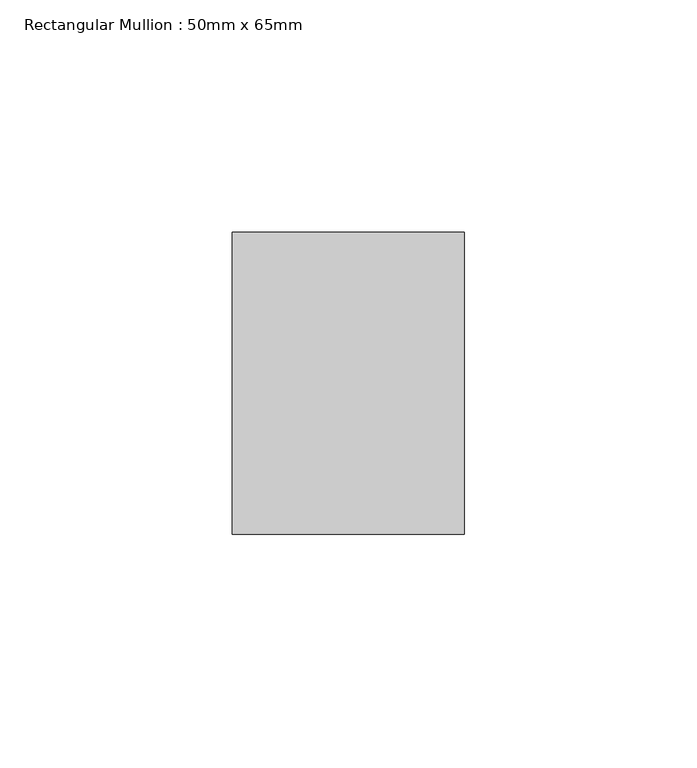
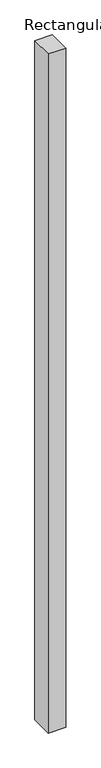
"""IFC4 building model written with IfcOpenShell, lengths in millimetres: member geometry, Rectangular Mullion : 50mm x 65mm."""

from ifc_helpers import new_model, si_unit, frame, origin, place, context, project, spatial, polyline, outline, extrude, source, transform, mapped, element, save


def rectangular_mullion_50mm_x_65mm_7f6c2370(model_context):
    return source(origin(), model_context, "Body", "SweptSolid", [
        extrude(outline(polyline([(25.0, 32.5), (25.0, -32.5), (-25.0, -32.5), (-25.0, 32.5), (25.0, 32.5)])), frame((0.0, 0.0, -2042.0394883), z_axis=(0.0, 0.0, 1.0), x_axis=(1.0, 0.0, 0.0)), (0.0, 0.0, 1.0), 2042.0394883),
    ])


if __name__ == "__main__":
    model = new_model("IFC4")
    model_context = context("Model", 3, world=origin())
    ifc_project = project(units=[si_unit("LENGTHUNIT", "METRE", prefix="MILLI")], contexts=[model_context])
    site = spatial("IfcSite", under=ifc_project)
    building = spatial("IfcBuilding", under=site)
    placement = place(None, origin())
    rectangular_mullion_50mm_x_65mm_shape = rectangular_mullion_50mm_x_65mm_7f6c2370(model_context)
    element("IfcMember", 1, ObjectType="Rectangular Mullion : 50mm x 65mm", at=placement, inside=building, context=model_context, shape_type="MappedRepresentation", body=[
        mapped(rectangular_mullion_50mm_x_65mm_shape, transform((0.0, 0.0, 0.0), x_axis=(1.0, 0.0, 0.0), y_axis=(0.0, 1.0, 0.0), z_axis=(0.0, 0.0, 1.0))),
    ])
    save(model, "model.ifc")
